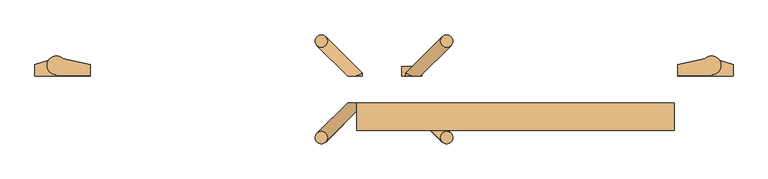
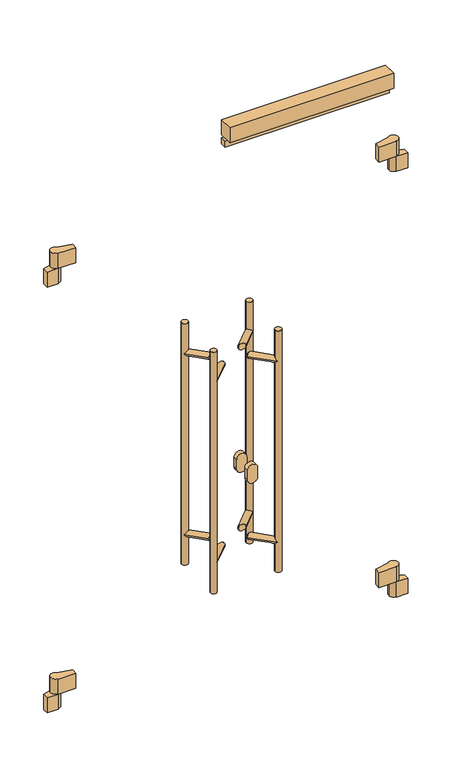
"""IFC4 building model written with IfcOpenShell, lengths in millimetres: door geometry."""

from ifc_helpers import new_model, si_unit, point, frame, frame_2d, origin, place, context, project, spatial, polyline, circle_curve, ellipse_curve, trimmed, segment, composite_curve, outline, extrude, source, transform, mapped, element, save
from ifc_brep_helpers import plane_surface, cylinder_surface, advanced_brep


def door_f8871148(model_context):
    return source(origin(), model_context, "Body", "SolidModel", [
        extrude(outline(polyline([(-624.0, -44.0), (-109.0, -44.0), (-109.0, -64.0), (-624.0, -64.0), (-624.0, -44.0)])), frame((0.0, 0.0, 2031.0), z_axis=(0.0, 0.0, 1.0), x_axis=(1.0, 0.0, 0.0)), (0.0, 0.0, 1.0), 20.0),
        extrude(outline(polyline([(-624.0, -44.0), (-109.0, -44.0), (-109.0, -89.0), (-624.0, -89.0), (-624.0, -44.0)])), frame((0.0, 0.0, 2061.0), z_axis=(0.0, 0.0, 1.0), x_axis=(1.0, 0.0, 0.0)), (0.0, 0.0, 1.0), 50.0),
        advanced_brep(
        [(-104.0, 0.0, 400.0), (-49.0, 0.0, 400.0), (-49.0, 2.0, 400.0), (-34.0, 17.0, 400.0), (-59.5040029, 27.7082175, 400.0), (-104.0, 18.0, 400.0), (-64.0, 17.0, 300.0), (-36.8866516, 25.846852, 300.0), (-14.0, 18.0, 300.0), (-14.0, 0.0, 300.0), (-49.0, 0.0, 300.0), (-49.0, 2.0, 300.0), (-49.0, 2.0, 350.0), (-34.0, 17.0, 350.0), (-64.0, 17.0, 350.0), (-49.0, 2.0, 350.0), (-36.8866516, 25.846852, 350.0), (-59.5040029, 27.7082175, 350.0), (-104.0, 0.0, 350.0), (-104.0, 18.0, 350.0), (-49.0, 0.0, 350.0), (-14.0, 0.0, 350.0), (-14.0, 18.0, 350.0)],
        [
            (0, 1),
            (1, 2),
            (2, 3, circle_curve(frame((-49.0, 17.0, 400.0), z_axis=(0.0, 0.0, 1.0), x_axis=(1.0, 0.0, 0.0)), 15.0)),
            (3, 4, circle_curve(frame((-49.0, 17.0, 400.0), z_axis=(0.0, 0.0, 1.0), x_axis=(1.0, 0.0, 0.0)), 15.0)),
            (4, 5),
            (5, 0),
            (6, 7, circle_curve(frame((-49.0, 17.0, 300.0), z_axis=(0.0, 0.0, -1.0), x_axis=(1.0, 0.0, 0.0)), 15.0)),
            (7, 8),
            (8, 9),
            (9, 10),
            (10, 11),
            (11, 6, circle_curve(frame((-49.0, 17.0, 300.0), z_axis=(0.0, 0.0, -1.0), x_axis=(1.0, 0.0, 0.0)), 15.0)),
            (2, 12),
            (12, 13, circle_curve(frame((-49.0, 17.0, 350.0), z_axis=(0.0, 0.0, 1.0), x_axis=(1.0, 0.0, 0.0)), 15.0)),
            (13, 3),
            (14, 6),
            (11, 15),
            (15, 14, circle_curve(frame((-49.0, 17.0, 350.0), z_axis=(0.0, 0.0, -1.0), x_axis=(1.0, 0.0, 0.0)), 15.0)),
            (13, 16, circle_curve(frame((-49.0, 17.0, 350.0), z_axis=(0.0, 0.0, 1.0), x_axis=(1.0, 0.0, 0.0)), 15.0)),
            (16, 7),
            (14, 17, circle_curve(frame((-49.0, 17.0, 350.0), z_axis=(0.0, 0.0, -1.0), x_axis=(1.0, 0.0, 0.0)), 15.0)),
            (17, 4),
            (18, 19),
            (19, 17),
            (15, 20),
            (20, 18),
            (0, 18),
            (20, 1),
            (20, 12),
            (19, 5),
            (20, 21),
            (21, 22),
            (22, 16),
            (10, 20),
            (9, 21),
            (8, 22),
        ],
        [
            plane_surface(frame((-34.0, 17.0, 400.0), z_axis=(0.0, 0.0, 1.0), x_axis=(0.0, 1.0, 0.0))),
            plane_surface(frame((-34.0, 17.0, 300.0), z_axis=(0.0, 0.0, -1.0), x_axis=(0.0, -1.0, 0.0))),
            cylinder_surface(frame((-49.0, 17.0, 300.0), z_axis=(0.0, 0.0, 1.0), x_axis=(1.0, 0.0, 0.0)), 15.0),
            plane_surface(frame((-49.0, 0.0, 350.0), z_axis=(0.0, 0.0, -1.0), x_axis=(-1.0, 0.0, 0.0))),
            plane_surface(frame((-104.0, 0.0, 400.0), z_axis=(0.0, -1.0, 0.0), x_axis=(0.0, 0.0, -1.0))),
            plane_surface(frame((-49.0, 0.0, 400.0), z_axis=(1.0, 0.0, 0.0), x_axis=(0.0, 0.0, -1.0))),
            plane_surface(frame((-49.0, 30.0, 400.0), z_axis=(-0.2131670752167252, 0.9770157614099924, 0.0), x_axis=(0.0, 0.0, -1.0))),
            plane_surface(frame((-104.0, 18.0, 400.0), z_axis=(-1.0, 0.0, 0.0), x_axis=(0.0, 0.0, -1.0))),
            plane_surface(frame((-49.0, 0.0, 350.0), z_axis=(0.0, 0.0, 1.0), x_axis=(0.0, -1.0, 0.0))),
            plane_surface(frame((-49.0, 30.0, 350.0), z_axis=(-1.0, 0.0, 0.0), x_axis=(0.0, 0.0, -1.0))),
            plane_surface(frame((-49.0, 0.0, 350.0), z_axis=(0.0, -1.0, 0.0), x_axis=(0.0, 0.0, -1.0))),
            plane_surface(frame((-14.0, 0.0, 350.0), z_axis=(1.0, 0.0, 0.0), x_axis=(0.0, 0.0, -1.0))),
            plane_surface(frame((-14.0, 18.0, 350.0), z_axis=(0.3243243243243251, 0.9459459459459457, 0.0), x_axis=(0.0, 0.0, -1.0))),
        ],
        [
            (0, [[1, 2, 3, 4, 5, 6]]),
            (1, [[7, 8, 9, 10, 11, 12]]),
            (2, [[-3, 13, 14, 15]]),
            (2, [[16, -12, 17, 18]]),
            (2, [[-4, -15, 19, 20, -7, -16, 21, 22]]),
            (3, [[23, 24, -21, -18, 25, 26]]),
            (4, [[-1, 27, -26, 28]]),
            (5, [[-28, 29, -13, -2]]),
            (6, [[30, -5, -22, -24]]),
            (7, [[-6, -30, -23, -27]]),
            (8, [[31, 32, 33, -19, -14, -29]]),
            (9, [[34, -25, -17, -11]]),
            (10, [[-31, -34, -10, 35]]),
            (11, [[-32, -35, -9, 36]]),
            (12, [[-36, -8, -20, -33]]),
        ],
    ),
        advanced_brep(
        [(-1056.0, 0.0, 400.0), (-1056.0, 18.0, 400.0), (-1100.4959971, 27.7082175, 400.0), (-1126.0, 17.0, 400.0), (-1111.0, 2.0, 400.0), (-1111.0, 0.0, 400.0), (-1123.1133484, 25.846852, 300.0), (-1096.0, 17.0, 300.0), (-1111.0, 2.0, 300.0), (-1111.0, 0.0, 300.0), (-1146.0, 0.0, 300.0), (-1146.0, 18.0, 300.0), (-1126.0, 17.0, 350.0), (-1111.0, 2.0, 350.0), (-1096.0, 17.0, 350.0), (-1111.0, 2.0, 350.0), (-1100.4959971, 27.7082175, 350.0), (-1123.1133484, 25.846852, 350.0), (-1056.0, 0.0, 350.0), (-1111.0, 0.0, 350.0), (-1056.0, 18.0, 350.0), (-1146.0, 18.0, 350.0), (-1146.0, 0.0, 350.0)],
        [
            (0, 1),
            (1, 2),
            (2, 3, circle_curve(frame((-1111.0, 17.0, 400.0), z_axis=(0.0, 0.0, 1.0), x_axis=(1.0, 0.0, 0.0)), 15.0)),
            (3, 4, circle_curve(frame((-1111.0, 17.0, 400.0), z_axis=(0.0, 0.0, 1.0), x_axis=(1.0, 0.0, 0.0)), 15.0)),
            (4, 5),
            (5, 0),
            (6, 7, circle_curve(frame((-1111.0, 17.0, 300.0), z_axis=(0.0, 0.0, -1.0), x_axis=(1.0, 0.0, 0.0)), 15.0)),
            (7, 8, circle_curve(frame((-1111.0, 17.0, 300.0), z_axis=(0.0, 0.0, -1.0), x_axis=(1.0, 0.0, 0.0)), 15.0)),
            (8, 9),
            (9, 10),
            (10, 11),
            (11, 6),
            (3, 12),
            (12, 13, circle_curve(frame((-1111.0, 17.0, 350.0), z_axis=(0.0, 0.0, 1.0), x_axis=(1.0, 0.0, 0.0)), 15.0)),
            (13, 4),
            (7, 14),
            (14, 15, circle_curve(frame((-1111.0, 17.0, 350.0), z_axis=(0.0, 0.0, -1.0), x_axis=(1.0, 0.0, 0.0)), 15.0)),
            (15, 8),
            (2, 16),
            (16, 14, circle_curve(frame((-1111.0, 17.0, 350.0), z_axis=(0.0, 0.0, -1.0), x_axis=(1.0, 0.0, 0.0)), 15.0)),
            (6, 17),
            (17, 12, circle_curve(frame((-1111.0, 17.0, 350.0), z_axis=(0.0, 0.0, 1.0), x_axis=(1.0, 0.0, 0.0)), 15.0)),
            (18, 19),
            (19, 15),
            (16, 20),
            (20, 18),
            (0, 18),
            (20, 1),
            (19, 5),
            (13, 19),
            (21, 22),
            (22, 19),
            (17, 21),
            (11, 21),
            (10, 22),
            (9, 19),
        ],
        [
            plane_surface(frame((-34.0, 17.0, 400.0), z_axis=(0.0, 0.0, 1.0), x_axis=(0.0, 1.0, 0.0))),
            plane_surface(frame((-34.0, 17.0, 300.0), z_axis=(0.0, 0.0, -1.0), x_axis=(0.0, -1.0, 0.0))),
            cylinder_surface(frame((-1111.0, 17.0, 0.0), z_axis=(0.0, 0.0, 1.0), x_axis=(1.0, 0.0, 0.0)), 15.0),
            plane_surface(frame((-49.0, 0.0, 350.0), z_axis=(0.0, 0.0, -1.0), x_axis=(-1.0, 0.0, 0.0))),
            plane_surface(frame((-1056.0, 0.0, 400.0), z_axis=(1.0, 0.0, 0.0), x_axis=(0.0, 0.0, -1.0))),
            plane_surface(frame((-1056.0, 18.0, 400.0), z_axis=(0.2131670752167282, 0.9770157614099917, 0.0), x_axis=(0.0, 0.0, -1.0))),
            plane_surface(frame((-1111.0, 30.0, 400.0), z_axis=(-1.0, 0.0, 0.0), x_axis=(0.0, 0.0, -1.0))),
            plane_surface(frame((-1111.0, 0.0, 400.0), z_axis=(0.0, -1.0, 0.0), x_axis=(0.0, 0.0, -1.0))),
            plane_surface(frame((-49.0, 0.0, 350.0), z_axis=(0.0, 0.0, 1.0), x_axis=(0.0, -1.0, 0.0))),
            plane_surface(frame((-1111.0, 30.0, 350.0), z_axis=(-0.3243243243243222, 0.9459459459459467, 0.0), x_axis=(0.0, 0.0, -1.0))),
            plane_surface(frame((-1146.0, 18.0, 350.0), z_axis=(-1.0, 0.0, 0.0), x_axis=(0.0, 0.0, -1.0))),
            plane_surface(frame((-1146.0, 0.0, 350.0), z_axis=(0.0, -1.0, 0.0), x_axis=(0.0, 0.0, -1.0))),
            plane_surface(frame((-1111.0, 0.0, 350.0), z_axis=(1.0, 0.0, 0.0), x_axis=(0.0, 0.0, -1.0))),
        ],
        [
            (0, [[1, 2, 3, 4, 5, 6]]),
            (1, [[7, 8, 9, 10, 11, 12]]),
            (2, [[-4, 13, 14, 15]]),
            (2, [[16, 17, 18, -8]]),
            (2, [[-3, 19, 20, -16, -7, 21, 22, -13]]),
            (3, [[23, 24, -17, -20, 25, 26]]),
            (4, [[-1, 27, -26, 28]]),
            (5, [[-28, -25, -19, -2]]),
            (6, [[29, -5, -15, 30]]),
            (7, [[-6, -29, -23, -27]]),
            (8, [[31, 32, -30, -14, -22, 33]]),
            (9, [[34, -33, -21, -12]]),
            (10, [[-31, -34, -11, 35]]),
            (11, [[-32, -35, -10, 36]]),
            (12, [[-36, -9, -18, -24]]),
        ],
    ),
        advanced_brep(
        [(-104.0, 0.0, 1811.0), (-49.0, 0.0, 1811.0), (-49.0, 2.0, 1811.0), (-34.0, 17.0, 1811.0), (-59.5040029, 27.7082175, 1811.0), (-104.0, 18.0, 1811.0), (-64.0, 17.0, 1711.0), (-36.8866516, 25.846852, 1711.0), (-14.0, 18.0, 1711.0), (-14.0, 0.0, 1711.0), (-49.0, 0.0, 1711.0), (-49.0, 2.0, 1711.0), (-49.0, 2.0, 1761.0), (-34.0, 17.0, 1761.0), (-64.0, 17.0, 1761.0), (-49.0, 2.0, 1761.0), (-36.8866516, 25.846852, 1761.0), (-59.5040029, 27.7082175, 1761.0), (-104.0, 0.0, 1761.0), (-104.0, 18.0, 1761.0), (-49.0, 0.0, 1761.0), (-14.0, 0.0, 1761.0), (-14.0, 18.0, 1761.0)],
        [
            (0, 1),
            (1, 2),
            (2, 3, circle_curve(frame((-49.0, 17.0, 1811.0), z_axis=(0.0, 0.0, 1.0), x_axis=(1.0, 0.0, 0.0)), 15.0)),
            (3, 4, circle_curve(frame((-49.0, 17.0, 1811.0), z_axis=(0.0, 0.0, 1.0), x_axis=(1.0, 0.0, 0.0)), 15.0)),
            (4, 5),
            (5, 0),
            (6, 7, circle_curve(frame((-49.0, 17.0, 1711.0), z_axis=(0.0, 0.0, -1.0), x_axis=(1.0, 0.0, 0.0)), 15.0)),
            (7, 8),
            (8, 9),
            (9, 10),
            (10, 11),
            (11, 6, circle_curve(frame((-49.0, 17.0, 1711.0), z_axis=(0.0, 0.0, -1.0), x_axis=(1.0, 0.0, 0.0)), 15.0)),
            (2, 12),
            (12, 13, circle_curve(frame((-49.0, 17.0, 1761.0), z_axis=(0.0, 0.0, 1.0), x_axis=(1.0, 0.0, 0.0)), 15.0)),
            (13, 3),
            (14, 6),
            (11, 15),
            (15, 14, circle_curve(frame((-49.0, 17.0, 1761.0), z_axis=(0.0, 0.0, -1.0), x_axis=(1.0, 0.0, 0.0)), 15.0)),
            (13, 16, circle_curve(frame((-49.0, 17.0, 1761.0), z_axis=(0.0, 0.0, 1.0), x_axis=(1.0, 0.0, 0.0)), 15.0)),
            (16, 7),
            (14, 17, circle_curve(frame((-49.0, 17.0, 1761.0), z_axis=(0.0, 0.0, -1.0), x_axis=(1.0, 0.0, 0.0)), 15.0)),
            (17, 4),
            (18, 19),
            (19, 17),
            (15, 20),
            (20, 18),
            (20, 1),
            (0, 18),
            (20, 12),
            (19, 5),
            (20, 21),
            (21, 22),
            (22, 16),
            (10, 20),
            (9, 21),
            (8, 22),
        ],
        [
            plane_surface(frame((-34.0, 17.0, 1811.0), z_axis=(0.0, 0.0, 1.0), x_axis=(0.0, 1.0, 0.0))),
            plane_surface(frame((-34.0, 17.0, 1711.0), z_axis=(0.0, 0.0, -1.0), x_axis=(0.0, -1.0, 0.0))),
            cylinder_surface(frame((-49.0, 17.0, 1711.0), z_axis=(0.0, 0.0, 1.0), x_axis=(1.0, 0.0, 0.0)), 15.0),
            plane_surface(frame((-49.0, 0.0, 1761.0), z_axis=(0.0, 0.0, -1.0), x_axis=(-1.0, 0.0, 0.0))),
            plane_surface(frame((-104.0, 0.0, 1811.0), z_axis=(0.0, -1.0, 0.0), x_axis=(0.0, 0.0, -1.0))),
            plane_surface(frame((-49.0, 0.0, 1811.0), z_axis=(1.0, 0.0, 0.0), x_axis=(0.0, 0.0, -1.0))),
            plane_surface(frame((-49.0, 30.0, 1811.0), z_axis=(-0.21316707521672537, 0.9770157614099924, 0.0), x_axis=(0.0, 0.0, -1.0))),
            plane_surface(frame((-104.0, 18.0, 1811.0), z_axis=(-1.0, 0.0, 0.0), x_axis=(0.0, 0.0, -1.0))),
            plane_surface(frame((-49.0, 0.0, 1761.0), z_axis=(0.0, 0.0, 1.0), x_axis=(0.0, -1.0, 0.0))),
            plane_surface(frame((-49.0, 30.0, 1761.0), z_axis=(-1.0, 0.0, 0.0), x_axis=(0.0, 0.0, -1.0))),
            plane_surface(frame((-49.0, 0.0, 1761.0), z_axis=(0.0, -1.0, 0.0), x_axis=(0.0, 0.0, -1.0))),
            plane_surface(frame((-14.0, 0.0, 1761.0), z_axis=(1.0, 0.0, 0.0), x_axis=(0.0, 0.0, -1.0))),
            plane_surface(frame((-14.0, 18.0, 1761.0), z_axis=(0.3243243243243251, 0.9459459459459457, 0.0), x_axis=(0.0, 0.0, -1.0))),
        ],
        [
            (0, [[1, 2, 3, 4, 5, 6]]),
            (1, [[7, 8, 9, 10, 11, 12]]),
            (2, [[-3, 13, 14, 15]]),
            (2, [[16, -12, 17, 18]]),
            (2, [[-4, -15, 19, 20, -7, -16, 21, 22]]),
            (3, [[23, 24, -21, -18, 25, 26]]),
            (4, [[-26, 27, -1, 28]]),
            (5, [[-27, 29, -13, -2]]),
            (6, [[30, -5, -22, -24]]),
            (7, [[-23, -28, -6, -30]]),
            (8, [[31, 32, 33, -19, -14, -29]]),
            (9, [[34, -25, -17, -11]]),
            (10, [[-10, 35, -31, -34]]),
            (11, [[-9, 36, -32, -35]]),
            (12, [[-36, -8, -20, -33]]),
        ],
    ),
        advanced_brep(
        [(-1056.0, 0.0, 1811.0), (-1056.0, 18.0, 1811.0), (-1100.4959971, 27.7082175, 1811.0), (-1126.0, 17.0, 1811.0), (-1111.0, 2.0, 1811.0), (-1111.0, 0.0, 1811.0), (-1123.1133484, 25.846852, 1711.0), (-1096.0, 17.0, 1711.0), (-1111.0, 2.0, 1711.0), (-1111.0, 0.0, 1711.0), (-1146.0, 0.0, 1711.0), (-1146.0, 18.0, 1711.0), (-1126.0, 17.0, 1761.0), (-1111.0, 2.0, 1761.0), (-1096.0, 17.0, 1761.0), (-1111.0, 2.0, 1761.0), (-1100.4959971, 27.7082175, 1761.0), (-1123.1133484, 25.846852, 1761.0), (-1056.0, 0.0, 1761.0), (-1111.0, 0.0, 1761.0), (-1056.0, 18.0, 1761.0), (-1146.0, 18.0, 1761.0), (-1146.0, 0.0, 1761.0)],
        [
            (0, 1),
            (1, 2),
            (2, 3, circle_curve(frame((-1111.0, 17.0, 1811.0), z_axis=(0.0, 0.0, 1.0), x_axis=(1.0, 0.0, 0.0)), 15.0)),
            (3, 4, circle_curve(frame((-1111.0, 17.0, 1811.0), z_axis=(0.0, 0.0, 1.0), x_axis=(1.0, 0.0, 0.0)), 15.0)),
            (4, 5),
            (5, 0),
            (6, 7, circle_curve(frame((-1111.0, 17.0, 1711.0), z_axis=(0.0, 0.0, -1.0), x_axis=(1.0, 0.0, 0.0)), 15.0)),
            (7, 8, circle_curve(frame((-1111.0, 17.0, 1711.0), z_axis=(0.0, 0.0, -1.0), x_axis=(1.0, 0.0, 0.0)), 15.0)),
            (8, 9),
            (9, 10),
            (10, 11),
            (11, 6),
            (3, 12),
            (12, 13, circle_curve(frame((-1111.0, 17.0, 1761.0), z_axis=(0.0, 0.0, 1.0), x_axis=(1.0, 0.0, 0.0)), 15.0)),
            (13, 4),
            (7, 14),
            (14, 15, circle_curve(frame((-1111.0, 17.0, 1761.0), z_axis=(0.0, 0.0, -1.0), x_axis=(1.0, 0.0, 0.0)), 15.0)),
            (15, 8),
            (2, 16),
            (16, 14, circle_curve(frame((-1111.0, 17.0, 1761.0), z_axis=(0.0, 0.0, -1.0), x_axis=(1.0, 0.0, 0.0)), 15.0)),
            (6, 17),
            (17, 12, circle_curve(frame((-1111.0, 17.0, 1761.0), z_axis=(0.0, 0.0, 1.0), x_axis=(1.0, 0.0, 0.0)), 15.0)),
            (18, 19),
            (19, 15),
            (16, 20),
            (20, 18),
            (20, 1),
            (0, 18),
            (19, 5),
            (13, 19),
            (21, 22),
            (22, 19),
            (17, 21),
            (11, 21),
            (10, 22),
            (9, 19),
        ],
        [
            plane_surface(frame((-34.0, 17.0, 1811.0), z_axis=(0.0, 0.0, 1.0), x_axis=(0.0, 1.0, 0.0))),
            plane_surface(frame((-34.0, 17.0, 1711.0), z_axis=(0.0, 0.0, -1.0), x_axis=(0.0, -1.0, 0.0))),
            cylinder_surface(frame((-1111.0, 17.0, 0.0), z_axis=(0.0, 0.0, 1.0), x_axis=(1.0, 0.0, 0.0)), 15.0),
            plane_surface(frame((-49.0, 0.0, 1761.0), z_axis=(0.0, 0.0, -1.0), x_axis=(-1.0, 0.0, 0.0))),
            plane_surface(frame((-1056.0, 0.0, 1811.0), z_axis=(1.0, 0.0, 0.0), x_axis=(0.0, 0.0, -1.0))),
            plane_surface(frame((-1056.0, 18.0, 1811.0), z_axis=(0.2131670752167268, 0.977015761409992, 0.0), x_axis=(0.0, 0.0, -1.0))),
            plane_surface(frame((-1111.0, 30.0, 1811.0), z_axis=(-1.0, 0.0, 0.0), x_axis=(0.0, 0.0, -1.0))),
            plane_surface(frame((-1111.0, 0.0, 1811.0), z_axis=(0.0, -1.0, 0.0), x_axis=(0.0, 0.0, -1.0))),
            plane_surface(frame((-49.0, 0.0, 1761.0), z_axis=(0.0, 0.0, 1.0), x_axis=(0.0, -1.0, 0.0))),
            plane_surface(frame((-1111.0, 30.0, 1761.0), z_axis=(-0.324324324324321, 0.945945945945947, 0.0), x_axis=(0.0, 0.0, -1.0))),
            plane_surface(frame((-1146.0, 18.0, 1761.0), z_axis=(-1.0, 0.0, 0.0), x_axis=(0.0, 0.0, -1.0))),
            plane_surface(frame((-1146.0, 0.0, 1761.0), z_axis=(0.0, -1.0, 0.0), x_axis=(0.0, 0.0, -1.0))),
            plane_surface(frame((-1111.0, 0.0, 1761.0), z_axis=(1.0, 0.0, 0.0), x_axis=(0.0, 0.0, -1.0))),
        ],
        [
            (0, [[1, 2, 3, 4, 5, 6]]),
            (1, [[7, 8, 9, 10, 11, 12]]),
            (2, [[-4, 13, 14, 15]]),
            (2, [[16, 17, 18, -8]]),
            (2, [[-3, 19, 20, -16, -7, 21, 22, -13]]),
            (3, [[23, 24, -17, -20, 25, 26]]),
            (4, [[-26, 27, -1, 28]]),
            (5, [[-27, -25, -19, -2]]),
            (6, [[29, -5, -15, 30]]),
            (7, [[-23, -28, -6, -29]]),
            (8, [[31, 32, -30, -14, -22, 33]]),
            (9, [[34, -33, -21, -12]]),
            (10, [[-11, 35, -31, -34]]),
            (11, [[-10, 36, -32, -35]]),
            (12, [[-36, -9, -18, -24]]),
        ],
    ),
        advanced_brep(
        [(-488.4314575, 56.5685425, 1400.0), (-468.4314575, 56.5685425, 1400.0), (-488.4314575, 56.5685425, 600.0), (-468.4314575, 56.5685425, 600.0), (-535.0, 0.0, 710.0), (-545.0, 0.0, 700.0), (-535.0, 0.0, 690.0), (-520.8578644, 0.0, 700.0), (-535.0, 0.0, 1310.0), (-545.0, 0.0, 1300.0), (-535.0, 0.0, 1290.0), (-520.8578644, 0.0, 1300.0), (-545.0, 4.1421356, 700.0), (-545.0, 4.1421356, 1300.0), (-485.5025253, 63.6396103, 700.0), (-471.3603897, 49.4974747, 700.0), (-488.4314575, 56.5685425, 707.0710678), (-488.4314575, 56.5685425, 692.9289322), (-485.5025253, 63.6396103, 1300.0), (-471.3603897, 49.4974747, 1300.0), (-488.4314575, 56.5685425, 1307.0710678), (-488.4314575, 56.5685425, 1292.9289322)],
        [
            (0, 1, circle_curve(frame((-478.4314575, 56.5685425, 1400.0), z_axis=(0.0, 0.0, 1.0), x_axis=(1.0, 0.0, 0.0)), 10.0)),
            (1, 0, circle_curve(frame((-478.4314575, 56.5685425, 1400.0), z_axis=(0.0, 0.0, 1.0), x_axis=(1.0, 0.0, 0.0)), 10.0)),
            (2, 3, circle_curve(frame((-478.4314575, 56.5685425, 600.0), z_axis=(0.0, 0.0, -1.0), x_axis=(1.0, 0.0, 0.0)), 10.0)),
            (3, 2, circle_curve(frame((-478.4314575, 56.5685425, 600.0), z_axis=(0.0, 0.0, -1.0), x_axis=(1.0, 0.0, 0.0)), 10.0)),
            (4, 5, circle_curve(frame((-535.0, 0.0, 700.0), z_axis=(0.0, -1.0, 0.0), x_axis=(-1.0, 0.0, 0.0)), 10.0)),
            (5, 6, circle_curve(frame((-535.0, 0.0, 700.0), z_axis=(0.0, -1.0, 0.0), x_axis=(-1.0, 0.0, 0.0)), 10.0)),
            (6, 7, ellipse_curve(frame((-535.0, 0.0, 700.0), z_axis=(0.0, -1.0, 0.0), x_axis=(-1.0, 0.0, 0.0)), 14.1421356, 10.0)),
            (7, 4, ellipse_curve(frame((-535.0, 0.0, 700.0), z_axis=(0.0, -1.0, 0.0), x_axis=(-1.0, 0.0, 0.0)), 14.1421356, 10.0)),
            (8, 9, circle_curve(frame((-535.0, 0.0, 1300.0), z_axis=(0.0, -1.0, 0.0), x_axis=(-1.0, 0.0, 0.0)), 10.0)),
            (9, 10, circle_curve(frame((-535.0, 0.0, 1300.0), z_axis=(0.0, -1.0, 0.0), x_axis=(-1.0, 0.0, 0.0)), 10.0)),
            (10, 11, ellipse_curve(frame((-535.0, 0.0, 1300.0), z_axis=(0.0, -1.0, 0.0), x_axis=(-1.0, 0.0, 0.0)), 14.1421356, 10.0)),
            (11, 8, ellipse_curve(frame((-535.0, 0.0, 1300.0), z_axis=(0.0, -1.0, 0.0), x_axis=(-1.0, 0.0, 0.0)), 14.1421356, 10.0)),
            (4, 12, ellipse_curve(frame((-535.0, 0.0, 700.0), z_axis=(-0.38268343236512964, -0.9238795325112702, 0.0), x_axis=(0.9238795325112701, -0.3826834323651298, 0.0)), 10.823922, 10.0)),
            (12, 5),
            (12, 6, ellipse_curve(frame((-535.0, 0.0, 700.0), z_axis=(-0.38268343236512964, -0.9238795325112702, 0.0), x_axis=(0.9238795325112701, -0.3826834323651298, 0.0)), 10.823922, 10.0)),
            (8, 13, ellipse_curve(frame((-535.0, 0.0, 1300.0), z_axis=(-0.38268343236512964, -0.9238795325112702, 0.0), x_axis=(0.9238795325112701, -0.3826834323651298, 0.0)), 10.823922, 10.0)),
            (13, 9),
            (13, 10, ellipse_curve(frame((-535.0, 0.0, 1300.0), z_axis=(-0.38268343236512964, -0.9238795325112702, 0.0), x_axis=(0.9238795325112701, -0.3826834323651298, 0.0)), 10.823922, 10.0)),
            (14, 12),
            (7, 15),
            (15, 16, ellipse_curve(frame((-478.4314575, 56.5685425, 700.0), z_axis=(-0.5000000000000411, -0.49999999999995676, -0.707106781186549), x_axis=(-0.5000000000000454, -0.49999999999995676, 0.7071067811865459)), 14.1421356, 10.0)),
            (16, 14, ellipse_curve(frame((-478.4314575, 56.5685425, 700.0), z_axis=(-0.5000000000000411, -0.49999999999995676, -0.707106781186549), x_axis=(-0.5000000000000454, -0.49999999999995676, 0.7071067811865459)), 14.1421356, 10.0)),
            (14, 17, ellipse_curve(frame((-478.4314575, 56.5685425, 700.0), z_axis=(-0.5000000000000454, -0.49999999999995676, 0.7071067811865459), x_axis=(-0.5000000000000411, -0.49999999999995676, -0.7071067811865489)), 14.1421356, 10.0)),
            (17, 15, ellipse_curve(frame((-478.4314575, 56.5685425, 700.0), z_axis=(-0.5000000000000454, -0.49999999999995676, 0.7071067811865459), x_axis=(-0.5000000000000411, -0.49999999999995676, -0.7071067811865489)), 14.1421356, 10.0)),
            (18, 13),
            (11, 19),
            (19, 20, ellipse_curve(frame((-478.4314575, 56.5685425, 1300.0), z_axis=(-0.5000000000000411, -0.49999999999995676, -0.707106781186549), x_axis=(-0.5000000000000454, -0.49999999999995676, 0.7071067811865459)), 14.1421356, 10.0)),
            (20, 18, ellipse_curve(frame((-478.4314575, 56.5685425, 1300.0), z_axis=(-0.5000000000000411, -0.49999999999995676, -0.707106781186549), x_axis=(-0.5000000000000454, -0.49999999999995676, 0.7071067811865459)), 14.1421356, 10.0)),
            (18, 21, ellipse_curve(frame((-478.4314575, 56.5685425, 1300.0), z_axis=(-0.5000000000000454, -0.49999999999995676, 0.7071067811865459), x_axis=(-0.5000000000000411, -0.49999999999995676, -0.7071067811865489)), 14.1421356, 10.0)),
            (21, 19, ellipse_curve(frame((-478.4314575, 56.5685425, 1300.0), z_axis=(-0.5000000000000454, -0.49999999999995676, 0.7071067811865459), x_axis=(-0.5000000000000411, -0.49999999999995676, -0.7071067811865489)), 14.1421356, 10.0)),
            (0, 20),
            (21, 16),
            (17, 2),
            (3, 1),
        ],
        [
            plane_surface(frame((-468.4314575, 56.5685425, 1400.0), z_axis=(0.0, 0.0, 1.0), x_axis=(0.0, 1.0, 0.0))),
            plane_surface(frame((-468.4314575, 56.5685425, 600.0), z_axis=(0.0, 0.0, -1.0), x_axis=(0.0, -1.0, 0.0))),
            plane_surface(frame((-675.0, 0.0, 600.0), z_axis=(0.0, -1.0, 0.0), x_axis=(0.0, 0.0, 1.0))),
            cylinder_surface(frame((-535.0, -44.0, 700.0), z_axis=(0.0, -1.0, 0.0), x_axis=(-1.0, 0.0, 0.0)), 10.0),
            cylinder_surface(frame((-535.0, -44.0, 1300.0), z_axis=(0.0, -1.0, 0.0), x_axis=(-1.0, 0.0, 0.0)), 10.0),
            cylinder_surface(frame((-535.0, 0.0, 700.0), z_axis=(-0.7071067811866087, -0.7071067811864864, 0.0), x_axis=(-0.7071067811864864, 0.7071067811866087, 0.0)), 10.0),
            cylinder_surface(frame((-535.0, 0.0, 1300.0), z_axis=(-0.7071067811866087, -0.7071067811864864, 0.0), x_axis=(-0.7071067811864864, 0.7071067811866087, 0.0)), 10.0),
            cylinder_surface(frame((-478.4314575, 56.5685425, 600.0), z_axis=(0.0, 0.0, 1.0), x_axis=(1.0, 0.0, 0.0)), 10.0),
        ],
        [
            (0, [[1, 2]]),
            (1, [[3, 4]]),
            (2, [[5, 6, 7, 8]]),
            (2, [[9, 10, 11, 12]]),
            (3, [[13, 14, -5]]),
            (3, [[-14, 15, -6]]),
            (4, [[16, 17, -9]]),
            (4, [[-17, 18, -10]]),
            (5, [[19, -13, -8, 20, 21, 22]]),
            (5, [[-19, 23, 24, -20, -7, -15]]),
            (6, [[25, -16, -12, 26, 27, 28]]),
            (6, [[-25, 29, 30, -26, -11, -18]]),
            (7, [[-1, 31, -27, -30, 32, -21, -24, 33, -4, 34]]),
            (7, [[-2, -34, -3, -33, -23, -22, -32, -29, -28, -31]]),
        ],
    ),
        advanced_brep(
        [(-488.4314575, -100.5685425, 1400.0), (-468.4314575, -100.5685425, 1400.0), (-488.4314575, -100.5685425, 600.0), (-468.4314575, -100.5685425, 600.0), (-535.0, -44.0, 710.0), (-520.8578644, -44.0, 700.0), (-535.0, -44.0, 690.0), (-545.0, -44.0, 700.0), (-535.0, -44.0, 1310.0), (-520.8578644, -44.0, 1300.0), (-535.0, -44.0, 1290.0), (-545.0, -44.0, 1300.0), (-545.0, -48.1421356, 700.0), (-485.5025253, -107.6396103, 700.0), (-488.4314575, -100.5685425, 707.0710678), (-471.3603897, -93.4974747, 700.0), (-488.4314575, -100.5685425, 692.9289322), (-545.0, -48.1421356, 1300.0), (-485.5025253, -107.6396103, 1300.0), (-488.4314575, -100.5685425, 1307.0710678), (-471.3603897, -93.4974747, 1300.0), (-488.4314575, -100.5685425, 1292.9289322)],
        [
            (0, 1, circle_curve(frame((-478.4314575, -100.5685425, 1400.0), z_axis=(0.0, 0.0, 1.0), x_axis=(1.0, 0.0, 0.0)), 10.0)),
            (1, 0, circle_curve(frame((-478.4314575, -100.5685425, 1400.0), z_axis=(0.0, 0.0, 1.0), x_axis=(1.0, 0.0, 0.0)), 10.0)),
            (2, 3, circle_curve(frame((-478.4314575, -100.5685425, 600.0), z_axis=(0.0, 0.0, -1.0), x_axis=(1.0, 0.0, 0.0)), 10.0)),
            (3, 2, circle_curve(frame((-478.4314575, -100.5685425, 600.0), z_axis=(0.0, 0.0, -1.0), x_axis=(1.0, 0.0, 0.0)), 10.0)),
            (4, 5, ellipse_curve(frame((-535.0, -44.0, 700.0), z_axis=(0.0, 1.0, 0.0), x_axis=(1.0, 0.0, 0.0)), 14.1421356, 10.0)),
            (5, 6, ellipse_curve(frame((-535.0, -44.0, 700.0), z_axis=(0.0, 1.0, 0.0), x_axis=(1.0, 0.0, 0.0)), 14.1421356, 10.0)),
            (6, 7, circle_curve(frame((-535.0, -44.0, 700.0), z_axis=(0.0, 1.0, 0.0), x_axis=(-1.0, 0.0, 0.0)), 10.0)),
            (7, 4, circle_curve(frame((-535.0, -44.0, 700.0), z_axis=(0.0, 1.0, 0.0), x_axis=(-1.0, 0.0, 0.0)), 10.0)),
            (8, 9, ellipse_curve(frame((-535.0, -44.0, 1300.0), z_axis=(0.0, 1.0, 0.0), x_axis=(1.0, 0.0, 0.0)), 14.1421356, 10.0)),
            (9, 10, ellipse_curve(frame((-535.0, -44.0, 1300.0), z_axis=(0.0, 1.0, 0.0), x_axis=(1.0, 0.0, 0.0)), 14.1421356, 10.0)),
            (10, 11, circle_curve(frame((-535.0, -44.0, 1300.0), z_axis=(0.0, 1.0, 0.0), x_axis=(-1.0, 0.0, 0.0)), 10.0)),
            (11, 8, circle_curve(frame((-535.0, -44.0, 1300.0), z_axis=(0.0, 1.0, 0.0), x_axis=(-1.0, 0.0, 0.0)), 10.0)),
            (12, 13),
            (13, 14, ellipse_curve(frame((-478.4314575, -100.5685425, 700.0), z_axis=(-0.5000000000000141, 0.49999999999998246, -0.7071067811865498), x_axis=(0.5000000000000197, -0.4999999999999837, -0.707106781186545)), 14.1421356, 10.0)),
            (14, 15, ellipse_curve(frame((-478.4314575, -100.5685425, 700.0), z_axis=(-0.5000000000000141, 0.49999999999998246, -0.7071067811865498), x_axis=(0.5000000000000197, -0.4999999999999837, -0.707106781186545)), 14.1421356, 10.0)),
            (15, 5),
            (4, 12, ellipse_curve(frame((-535.0, -44.0, 700.0), z_axis=(0.38268343236510555, -0.9238795325112802, 0.0), x_axis=(0.9238795325112802, 0.38268343236510544, 0.0)), 10.823922, 10.0)),
            (12, 6, ellipse_curve(frame((-535.0, -44.0, 700.0), z_axis=(0.38268343236510555, -0.9238795325112802, 0.0), x_axis=(0.9238795325112802, 0.38268343236510544, 0.0)), 10.823922, 10.0)),
            (15, 16, ellipse_curve(frame((-478.4314575, -100.5685425, 700.0), z_axis=(-0.5000000000000197, 0.4999999999999837, 0.7071067811865451), x_axis=(0.5000000000000142, -0.49999999999998246, 0.7071067811865498)), 14.1421356, 10.0)),
            (16, 13, ellipse_curve(frame((-478.4314575, -100.5685425, 700.0), z_axis=(-0.5000000000000197, 0.4999999999999837, 0.7071067811865451), x_axis=(0.5000000000000142, -0.49999999999998246, 0.7071067811865498)), 14.1421356, 10.0)),
            (17, 18),
            (18, 19, ellipse_curve(frame((-478.4314575, -100.5685425, 1300.0), z_axis=(-0.5000000000000141, 0.49999999999998246, -0.7071067811865498), x_axis=(0.5000000000000197, -0.4999999999999837, -0.707106781186545)), 14.1421356, 10.0)),
            (19, 20, ellipse_curve(frame((-478.4314575, -100.5685425, 1300.0), z_axis=(-0.5000000000000141, 0.49999999999998246, -0.7071067811865498), x_axis=(0.5000000000000197, -0.4999999999999837, -0.707106781186545)), 14.1421356, 10.0)),
            (20, 9),
            (8, 17, ellipse_curve(frame((-535.0, -44.0, 1300.0), z_axis=(0.38268343236510555, -0.9238795325112802, 0.0), x_axis=(0.9238795325112802, 0.38268343236510544, 0.0)), 10.823922, 10.0)),
            (17, 10, ellipse_curve(frame((-535.0, -44.0, 1300.0), z_axis=(0.38268343236510555, -0.9238795325112802, 0.0), x_axis=(0.9238795325112802, 0.38268343236510544, 0.0)), 10.823922, 10.0)),
            (20, 21, ellipse_curve(frame((-478.4314575, -100.5685425, 1300.0), z_axis=(-0.5000000000000197, 0.4999999999999837, 0.7071067811865451), x_axis=(0.5000000000000142, -0.49999999999998246, 0.7071067811865498)), 14.1421356, 10.0)),
            (21, 18, ellipse_curve(frame((-478.4314575, -100.5685425, 1300.0), z_axis=(-0.5000000000000197, 0.4999999999999837, 0.7071067811865451), x_axis=(0.5000000000000142, -0.49999999999998246, 0.7071067811865498)), 14.1421356, 10.0)),
            (7, 12),
            (11, 17),
            (0, 19),
            (21, 14),
            (16, 2),
            (3, 1),
        ],
        [
            plane_surface(frame((-468.4314575, 56.5685425, 1400.0), z_axis=(0.0, 0.0, 1.0), x_axis=(0.0, 1.0, 0.0))),
            plane_surface(frame((-468.4314575, 56.5685425, 600.0), z_axis=(0.0, 0.0, -1.0), x_axis=(0.0, -1.0, 0.0))),
            plane_surface(frame((-485.0, -44.0, 600.0), z_axis=(0.0, 1.0, 0.0), x_axis=(0.0, 0.0, 1.0))),
            cylinder_surface(frame((-478.4314575, -100.5685425, 700.0), z_axis=(0.7071067811865714, -0.7071067811865236, 0.0), x_axis=(-0.7071067811865236, -0.7071067811865714, 0.0)), 10.0),
            cylinder_surface(frame((-478.4314575, -100.5685425, 1300.0), z_axis=(0.7071067811865714, -0.7071067811865236, 0.0), x_axis=(-0.7071067811865236, -0.7071067811865714, 0.0)), 10.0),
            cylinder_surface(frame((-535.0, -44.0, 700.0), z_axis=(0.0, -1.0, 0.0), x_axis=(-1.0, 0.0, 0.0)), 10.0),
            cylinder_surface(frame((-535.0, -44.0, 1300.0), z_axis=(0.0, -1.0, 0.0), x_axis=(-1.0, 0.0, 0.0)), 10.0),
            cylinder_surface(frame((-478.4314575, -100.5685425, 1000.0), z_axis=(0.0, 0.0, 1.0), x_axis=(1.0, 0.0, 0.0)), 10.0),
        ],
        [
            (0, [[1, 2]]),
            (1, [[3, 4]]),
            (2, [[5, 6, 7, 8]]),
            (2, [[9, 10, 11, 12]]),
            (3, [[13, 14, 15, 16, -5, 17]]),
            (3, [[-13, 18, -6, -16, 19, 20]]),
            (4, [[21, 22, 23, 24, -9, 25]]),
            (4, [[-21, 26, -10, -24, 27, 28]]),
            (5, [[-17, -8, 29]]),
            (5, [[-18, -29, -7]]),
            (6, [[-25, -12, 30]]),
            (6, [[-26, -30, -11]]),
            (7, [[-1, 31, -22, -28, 32, -14, -20, 33, -4, 34]]),
            (7, [[-2, -34, -3, -33, -19, -15, -32, -27, -23, -31]]),
        ],
    ),
        advanced_brep(
        [(-691.5685425, 56.5685425, 1400.0), (-671.5685425, 56.5685425, 1400.0), (-691.5685425, 56.5685425, 600.0), (-671.5685425, 56.5685425, 600.0), (-625.0, 0.0, 690.0), (-615.0, 0.0, 700.0), (-625.0, 0.0, 710.0), (-639.1421356, 0.0, 700.0), (-625.0, 0.0, 1290.0), (-615.0, 0.0, 1300.0), (-625.0, 0.0, 1310.0), (-639.1421356, 0.0, 1300.0), (-671.5685425, 56.5685425, 692.9289322), (-688.6396103, 49.4974747, 700.0), (-671.5685425, 56.5685425, 707.0710678), (-671.5685425, 56.5685425, 1292.9289322), (-688.6396103, 49.4974747, 1300.0), (-671.5685425, 56.5685425, 1307.0710678), (-674.4974747, 63.6396103, 1300.0), (-674.4974747, 63.6396103, 700.0), (-615.0, 4.1421356, 700.0), (-615.0, 4.1421356, 1300.0)],
        [
            (0, 1, circle_curve(frame((-681.5685425, 56.5685425, 1400.0), z_axis=(0.0, 0.0, 1.0), x_axis=(1.0, 0.0, 0.0)), 10.0)),
            (1, 0, circle_curve(frame((-681.5685425, 56.5685425, 1400.0), z_axis=(0.0, 0.0, 1.0), x_axis=(1.0, 0.0, 0.0)), 10.0)),
            (2, 3, circle_curve(frame((-681.5685425, 56.5685425, 600.0), z_axis=(0.0, 0.0, -1.0), x_axis=(1.0, 0.0, 0.0)), 10.0)),
            (3, 2, circle_curve(frame((-681.5685425, 56.5685425, 600.0), z_axis=(0.0, 0.0, -1.0), x_axis=(1.0, 0.0, 0.0)), 10.0)),
            (4, 5, circle_curve(frame((-625.0, 0.0, 700.0), z_axis=(0.0, -1.0, 0.0), x_axis=(-1.0, 0.0, 0.0)), 10.0)),
            (5, 6, circle_curve(frame((-625.0, 0.0, 700.0), z_axis=(0.0, -1.0, 0.0), x_axis=(-1.0, 0.0, 0.0)), 10.0)),
            (6, 7, ellipse_curve(frame((-625.0, 0.0, 700.0), z_axis=(0.0, -1.0, 0.0), x_axis=(1.0, 0.0, 0.0)), 14.1421356, 10.0)),
            (7, 4, ellipse_curve(frame((-625.0, 0.0, 700.0), z_axis=(0.0, -1.0, 0.0), x_axis=(1.0, 0.0, 0.0)), 14.1421356, 10.0)),
            (8, 9, circle_curve(frame((-625.0, 0.0, 1300.0), z_axis=(0.0, -1.0, 0.0), x_axis=(-1.0, 0.0, 0.0)), 10.0)),
            (9, 10, circle_curve(frame((-625.0, 0.0, 1300.0), z_axis=(0.0, -1.0, 0.0), x_axis=(-1.0, 0.0, 0.0)), 10.0)),
            (10, 11, ellipse_curve(frame((-625.0, 0.0, 1300.0), z_axis=(0.0, -1.0, 0.0), x_axis=(1.0, 0.0, 0.0)), 14.1421356, 10.0)),
            (11, 8, ellipse_curve(frame((-625.0, 0.0, 1300.0), z_axis=(0.0, -1.0, 0.0), x_axis=(1.0, 0.0, 0.0)), 14.1421356, 10.0)),
            (0, 2),
            (3, 12),
            (12, 13, ellipse_curve(frame((-681.5685425, 56.5685425, 700.0), z_axis=(-0.5000000000000754, 0.49999999999992234, -0.707106781186549), x_axis=(-0.5000000000000797, 0.4999999999999223, 0.707106781186546)), 14.1421356, 10.0)),
            (13, 14, ellipse_curve(frame((-681.5685425, 56.5685425, 700.0), z_axis=(-0.5000000000000798, 0.49999999999992234, 0.7071067811865459), x_axis=(0.5000000000000754, -0.49999999999992234, 0.7071067811865491)), 14.1421356, 10.0)),
            (14, 15),
            (15, 16, ellipse_curve(frame((-681.5685425, 56.5685425, 1300.0), z_axis=(-0.5000000000000754, 0.49999999999992234, -0.707106781186549), x_axis=(-0.5000000000000797, 0.4999999999999223, 0.707106781186546)), 14.1421356, 10.0)),
            (16, 17, ellipse_curve(frame((-681.5685425, 56.5685425, 1300.0), z_axis=(-0.5000000000000798, 0.49999999999992234, 0.7071067811865459), x_axis=(0.5000000000000754, -0.49999999999992234, 0.7071067811865491)), 14.1421356, 10.0)),
            (17, 1),
            (17, 18, ellipse_curve(frame((-681.5685425, 56.5685425, 1300.0), z_axis=(-0.5000000000000798, 0.49999999999992234, 0.7071067811865459), x_axis=(0.5000000000000754, -0.49999999999992234, 0.7071067811865491)), 14.1421356, 10.0)),
            (18, 15, ellipse_curve(frame((-681.5685425, 56.5685425, 1300.0), z_axis=(-0.5000000000000754, 0.49999999999992234, -0.707106781186549), x_axis=(-0.5000000000000797, 0.4999999999999223, 0.707106781186546)), 14.1421356, 10.0)),
            (14, 19, ellipse_curve(frame((-681.5685425, 56.5685425, 700.0), z_axis=(-0.5000000000000798, 0.49999999999992234, 0.7071067811865459), x_axis=(0.5000000000000754, -0.49999999999992234, 0.7071067811865491)), 14.1421356, 10.0)),
            (19, 12, ellipse_curve(frame((-681.5685425, 56.5685425, 700.0), z_axis=(-0.5000000000000754, 0.49999999999992234, -0.707106781186549), x_axis=(-0.5000000000000797, 0.4999999999999223, 0.707106781186546)), 14.1421356, 10.0)),
            (4, 20, ellipse_curve(frame((-625.0, 0.0, 700.0), z_axis=(0.38268343236516156, -0.923879532511257, 0.0), x_axis=(-0.923879532511257, -0.3826834323651618, 0.0)), 10.823922, 10.0)),
            (20, 5),
            (20, 6, ellipse_curve(frame((-625.0, 0.0, 700.0), z_axis=(0.38268343236516156, -0.923879532511257, 0.0), x_axis=(-0.923879532511257, -0.3826834323651618, 0.0)), 10.823922, 10.0)),
            (8, 21, ellipse_curve(frame((-625.0, 0.0, 1300.0), z_axis=(0.38268343236516156, -0.923879532511257, 0.0), x_axis=(-0.923879532511257, -0.3826834323651618, 0.0)), 10.823922, 10.0)),
            (21, 9),
            (21, 10, ellipse_curve(frame((-625.0, 0.0, 1300.0), z_axis=(0.38268343236516156, -0.923879532511257, 0.0), x_axis=(-0.923879532511257, -0.3826834323651618, 0.0)), 10.823922, 10.0)),
            (19, 20),
            (7, 13),
            (18, 21),
            (11, 16),
        ],
        [
            plane_surface(frame((-468.4314575, 56.5685425, 1400.0), z_axis=(0.0, 0.0, 1.0), x_axis=(0.0, 1.0, 0.0))),
            plane_surface(frame((-468.4314575, 56.5685425, 600.0), z_axis=(0.0, 0.0, -1.0), x_axis=(0.0, -1.0, 0.0))),
            plane_surface(frame((-675.0, 0.0, 600.0), z_axis=(0.0, -1.0, 0.0), x_axis=(0.0, 0.0, 1.0))),
            cylinder_surface(frame((-681.5685425, 56.5685425, 1000.0), z_axis=(0.0, 0.0, 1.0), x_axis=(1.0, 0.0, 0.0)), 10.0),
            cylinder_surface(frame((-625.0, -44.0, 700.0), z_axis=(0.0, -1.0, 0.0), x_axis=(-1.0, 0.0, 0.0)), 10.0),
            cylinder_surface(frame((-625.0, -44.0, 1300.0), z_axis=(0.0, -1.0, 0.0), x_axis=(-1.0, 0.0, 0.0)), 10.0),
            cylinder_surface(frame((-625.0, 0.0, 700.0), z_axis=(0.7071067811866574, -0.7071067811864378, 0.0), x_axis=(-0.7071067811864378, -0.7071067811866574, 0.0)), 10.0),
            cylinder_surface(frame((-625.0, 0.0, 1300.0), z_axis=(0.7071067811866574, -0.7071067811864378, 0.0), x_axis=(-0.7071067811864378, -0.7071067811866574, 0.0)), 10.0),
        ],
        [
            (0, [[1, 2]]),
            (1, [[3, 4]]),
            (2, [[5, 6, 7, 8]]),
            (2, [[9, 10, 11, 12]]),
            (3, [[-1, 13, -4, 14, 15, 16, 17, 18, 19, 20]]),
            (3, [[-2, -20, 21, 22, -17, 23, 24, -14, -3, -13]]),
            (4, [[25, 26, -5]]),
            (4, [[-26, 27, -6]]),
            (5, [[28, 29, -9]]),
            (5, [[-29, 30, -10]]),
            (6, [[31, -25, -8, 32, -15, -24]]),
            (6, [[-31, -23, -16, -32, -7, -27]]),
            (7, [[33, -28, -12, 34, -18, -22]]),
            (7, [[-33, -21, -19, -34, -11, -30]]),
        ],
    ),
        advanced_brep(
        [(-691.5685425, -100.5685425, 1400.0), (-671.5685425, -100.5685425, 1400.0), (-691.5685425, -100.5685425, 600.0), (-671.5685425, -100.5685425, 600.0), (-625.0, -44.0, 690.0), (-639.1421356, -44.0, 700.0), (-625.0, -44.0, 710.0), (-615.0, -44.0, 700.0), (-625.0, -44.0, 1290.0), (-639.1421356, -44.0, 1300.0), (-625.0, -44.0, 1310.0), (-615.0, -44.0, 1300.0), (-671.5685425, -100.5685425, 692.9289322), (-674.4974747, -107.6396103, 700.0), (-671.5685425, -100.5685425, 707.0710678), (-671.5685425, -100.5685425, 1292.9289322), (-674.4974747, -107.6396103, 1300.0), (-671.5685425, -100.5685425, 1307.0710678), (-688.6396103, -93.4974747, 1300.0), (-688.6396103, -93.4974747, 700.0), (-615.0, -48.1421356, 700.0), (-615.0, -48.1421356, 1300.0)],
        [
            (0, 1, circle_curve(frame((-681.5685425, -100.5685425, 1400.0), z_axis=(0.0, 0.0, 1.0), x_axis=(1.0, 0.0, 0.0)), 10.0)),
            (1, 0, circle_curve(frame((-681.5685425, -100.5685425, 1400.0), z_axis=(0.0, 0.0, 1.0), x_axis=(1.0, 0.0, 0.0)), 10.0)),
            (2, 3, circle_curve(frame((-681.5685425, -100.5685425, 600.0), z_axis=(0.0, 0.0, -1.0), x_axis=(1.0, 0.0, 0.0)), 10.0)),
            (3, 2, circle_curve(frame((-681.5685425, -100.5685425, 600.0), z_axis=(0.0, 0.0, -1.0), x_axis=(1.0, 0.0, 0.0)), 10.0)),
            (4, 5, ellipse_curve(frame((-625.0, -44.0, 700.0), z_axis=(0.0, 1.0, 0.0), x_axis=(-1.0, 0.0, 0.0)), 14.1421356, 10.0)),
            (5, 6, ellipse_curve(frame((-625.0, -44.0, 700.0), z_axis=(0.0, 1.0, 0.0), x_axis=(-1.0, 0.0, 0.0)), 14.1421356, 10.0)),
            (6, 7, circle_curve(frame((-625.0, -44.0, 700.0), z_axis=(0.0, 1.0, 0.0), x_axis=(-1.0, 0.0, 0.0)), 10.0)),
            (7, 4, circle_curve(frame((-625.0, -44.0, 700.0), z_axis=(0.0, 1.0, 0.0), x_axis=(-1.0, 0.0, 0.0)), 10.0)),
            (8, 9, ellipse_curve(frame((-625.0, -44.0, 1300.0), z_axis=(0.0, 1.0, 0.0), x_axis=(-1.0, 0.0, 0.0)), 14.1421356, 10.0)),
            (9, 10, ellipse_curve(frame((-625.0, -44.0, 1300.0), z_axis=(0.0, 1.0, 0.0), x_axis=(-1.0, 0.0, 0.0)), 14.1421356, 10.0)),
            (10, 11, circle_curve(frame((-625.0, -44.0, 1300.0), z_axis=(0.0, 1.0, 0.0), x_axis=(-1.0, 0.0, 0.0)), 10.0)),
            (11, 8, circle_curve(frame((-625.0, -44.0, 1300.0), z_axis=(0.0, 1.0, 0.0), x_axis=(-1.0, 0.0, 0.0)), 10.0)),
            (0, 2),
            (3, 12),
            (12, 13, ellipse_curve(frame((-681.5685425, -100.5685425, 700.0), z_axis=(-0.49999999999999223, -0.5000000000000044, -0.7071067811865498), x_axis=(-0.4999999999999977, -0.5000000000000054, 0.7071067811865452)), 14.1421356, 10.0)),
            (13, 14, ellipse_curve(frame((-681.5685425, -100.5685425, 700.0), z_axis=(-0.4999999999999978, -0.5000000000000056, 0.7071067811865451), x_axis=(0.4999999999999921, 0.5000000000000044, 0.7071067811865498)), 14.1421356, 10.0)),
            (14, 15),
            (15, 16, ellipse_curve(frame((-681.5685425, -100.5685425, 1300.0), z_axis=(-0.49999999999999223, -0.5000000000000044, -0.7071067811865498), x_axis=(-0.4999999999999977, -0.5000000000000054, 0.7071067811865452)), 14.1421356, 10.0)),
            (16, 17, ellipse_curve(frame((-681.5685425, -100.5685425, 1300.0), z_axis=(-0.4999999999999978, -0.5000000000000056, 0.7071067811865451), x_axis=(0.4999999999999921, 0.5000000000000044, 0.7071067811865498)), 14.1421356, 10.0)),
            (17, 1),
            (17, 18, ellipse_curve(frame((-681.5685425, -100.5685425, 1300.0), z_axis=(-0.4999999999999978, -0.5000000000000056, 0.7071067811865451), x_axis=(0.4999999999999921, 0.5000000000000044, 0.7071067811865498)), 14.1421356, 10.0)),
            (18, 15, ellipse_curve(frame((-681.5685425, -100.5685425, 1300.0), z_axis=(-0.49999999999999223, -0.5000000000000044, -0.7071067811865498), x_axis=(-0.4999999999999977, -0.5000000000000054, 0.7071067811865452)), 14.1421356, 10.0)),
            (14, 19, ellipse_curve(frame((-681.5685425, -100.5685425, 700.0), z_axis=(-0.4999999999999978, -0.5000000000000056, 0.7071067811865451), x_axis=(0.4999999999999921, 0.5000000000000044, 0.7071067811865498)), 14.1421356, 10.0)),
            (19, 12, ellipse_curve(frame((-681.5685425, -100.5685425, 700.0), z_axis=(-0.49999999999999223, -0.5000000000000044, -0.7071067811865498), x_axis=(-0.4999999999999977, -0.5000000000000054, 0.7071067811865452)), 14.1421356, 10.0)),
            (20, 13),
            (19, 5),
            (4, 20, ellipse_curve(frame((-625.0, -44.0, 700.0), z_axis=(-0.3826834323650851, -0.9238795325112887, 0.0), x_axis=(-0.9238795325112885, 0.38268343236508545, 0.0)), 10.823922, 10.0)),
            (20, 6, ellipse_curve(frame((-625.0, -44.0, 700.0), z_axis=(-0.3826834323650851, -0.9238795325112887, 0.0), x_axis=(-0.9238795325112885, 0.38268343236508545, 0.0)), 10.823922, 10.0)),
            (21, 16),
            (18, 9),
            (8, 21, ellipse_curve(frame((-625.0, -44.0, 1300.0), z_axis=(-0.3826834323650851, -0.9238795325112887, 0.0), x_axis=(-0.9238795325112885, 0.38268343236508545, 0.0)), 10.823922, 10.0)),
            (21, 10, ellipse_curve(frame((-625.0, -44.0, 1300.0), z_axis=(-0.3826834323650851, -0.9238795325112887, 0.0), x_axis=(-0.9238795325112885, 0.38268343236508545, 0.0)), 10.823922, 10.0)),
            (7, 20),
            (11, 21),
        ],
        [
            plane_surface(frame((-468.4314575, 56.5685425, 1400.0), z_axis=(0.0, 0.0, 1.0), x_axis=(0.0, 1.0, 0.0))),
            plane_surface(frame((-468.4314575, 56.5685425, 600.0), z_axis=(0.0, 0.0, -1.0), x_axis=(0.0, -1.0, 0.0))),
            plane_surface(frame((-485.0, -44.0, 600.0), z_axis=(0.0, 1.0, 0.0), x_axis=(0.0, 0.0, 1.0))),
            cylinder_surface(frame((-681.5685425, -100.5685425, 1000.0), z_axis=(0.0, 0.0, 1.0), x_axis=(1.0, 0.0, 0.0)), 10.0),
            cylinder_surface(frame((-681.5685425, -100.5685425, 700.0), z_axis=(-0.7071067811865405, -0.7071067811865546, 0.0), x_axis=(-0.7071067811865546, 0.7071067811865405, 0.0)), 10.0),
            cylinder_surface(frame((-681.5685425, -100.5685425, 1300.0), z_axis=(-0.7071067811865405, -0.7071067811865546, 0.0), x_axis=(-0.7071067811865546, 0.7071067811865405, 0.0)), 10.0),
            cylinder_surface(frame((-625.0, -44.0, 700.0), z_axis=(0.0, -1.0, 0.0), x_axis=(-1.0, 0.0, 0.0)), 10.0),
            cylinder_surface(frame((-625.0, -44.0, 1300.0), z_axis=(0.0, -1.0, 0.0), x_axis=(-1.0, 0.0, 0.0)), 10.0),
        ],
        [
            (0, [[1, 2]]),
            (1, [[3, 4]]),
            (2, [[5, 6, 7, 8]]),
            (2, [[9, 10, 11, 12]]),
            (3, [[-1, 13, -4, 14, 15, 16, 17, 18, 19, 20]]),
            (3, [[-2, -20, 21, 22, -17, 23, 24, -14, -3, -13]]),
            (4, [[25, -15, -24, 26, -5, 27]]),
            (4, [[-25, 28, -6, -26, -23, -16]]),
            (5, [[29, -18, -22, 30, -9, 31]]),
            (5, [[-29, 32, -10, -30, -21, -19]]),
            (6, [[-27, -8, 33]]),
            (6, [[-28, -33, -7]]),
            (7, [[-31, -12, 34]]),
            (7, [[-32, -34, -11]]),
        ],
    ),
        extrude(outline(composite_curve([segment(polyline([(930.0, -551.0), (900.0, -551.0)]), True, "CONTINUOUS"), segment(trimmed(circle_curve(frame_2d((900.0, -535.0)), 16.0), [point((900.0, -551.0))], [point((900.0, -519.0))], False, "CARTESIAN"), True, "CONTINUOUS"), segment(polyline([(900.0, -519.0), (930.0, -519.0)]), True, "CONTINUOUS"), segment(trimmed(circle_curve(frame_2d((930.0, -535.0)), 16.0), [point((930.0, -519.0))], [point((930.0, -551.0))], False, "CARTESIAN"), True, "CONTINUOUS")], self_intersect=False)), frame((0.0, 0.0, 0.0), z_axis=(0.0, 1.0, 0.0), x_axis=(0.0, 0.0, 1.0)), (0.0, 0.0, 1.0), 15.0),
        extrude(outline(composite_curve([segment(polyline([(930.0, -551.0), (900.0, -551.0)]), True, "CONTINUOUS"), segment(trimmed(circle_curve(frame_2d((900.0, -535.0)), 16.0), [point((900.0, -551.0))], [point((900.0, -519.0))], False, "CARTESIAN"), True, "CONTINUOUS"), segment(polyline([(900.0, -519.0), (930.0, -519.0)]), True, "CONTINUOUS"), segment(trimmed(circle_curve(frame_2d((930.0, -535.0)), 16.0), [point((930.0, -519.0))], [point((930.0, -551.0))], False, "CARTESIAN"), True, "CONTINUOUS")], self_intersect=False)), frame((0.0, -59.0, 0.0), z_axis=(0.0, 1.0, 0.0), x_axis=(0.0, 0.0, 1.0)), (0.0, 0.0, 1.0), 15.0),
    ])


if __name__ == "__main__":
    model = new_model("IFC4")
    model_context = context("Model", 3, world=origin())
    ifc_project = project(units=[si_unit("LENGTHUNIT", "METRE", prefix="MILLI")], contexts=[model_context])
    site = spatial("IfcSite", under=ifc_project)
    building = spatial("IfcBuilding", under=site)
    placement = place(None, origin())
    door_shape = door_f8871148(model_context)
    element("IfcDoor", 1, at=placement, inside=building, context=model_context, shape_type="MappedRepresentation", body=[
        mapped(door_shape, transform((0.0, 0.0, 0.0), x_axis=(1.0, 0.0, 0.0), y_axis=(0.0, 1.0, 0.0), z_axis=(0.0, 0.0, 1.0))),
    ])
    save(model, "model.ifc")
